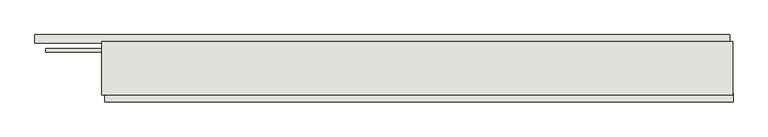
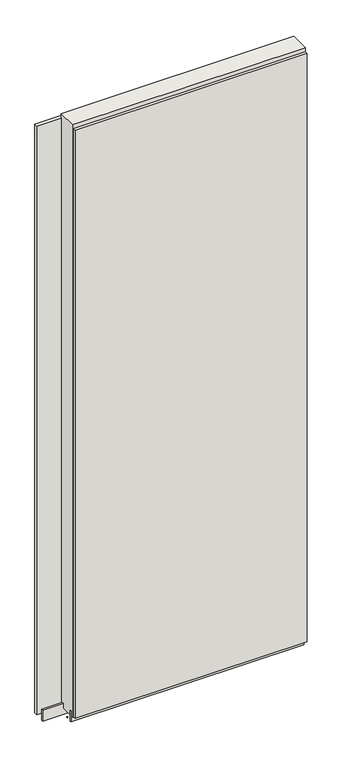
"""IFC4 building model written with IfcOpenShell, lengths in millimetres: wall geometry."""

from ifc_helpers import new_model, si_unit, frame, origin, place, context, project, spatial, polyline, outline, extrude, source, transform, mapped, element, save


def wall_d8fe1de9(model_context):
    return source(origin(), model_context, "Body", "SweptSolid", [
        extrude(outline(polyline([(45933.4493064, -39417.1245692), (45930.9093064, -39417.1245692), (45930.9093064, -39414.5845692), (45933.4493064, -39414.5845692), (45933.4493064, -39417.1245692)])), frame((0.0, 0.0, 4419.6), z_axis=(0.0, 0.0, 1.0), x_axis=(1.0, 0.0, 0.0)), (0.0, 0.0, 1.0), 2.54),
        extrude(outline(polyline([(45829.596682, -39365.0545692), (46880.180052, -39365.0545692), (46880.180052, -39377.7545692), (45829.596682, -39377.7545692), (45829.596682, -39365.0545692)])), frame((0.0, 0.0, 4445.0), z_axis=(0.0, 0.0, 1.0), x_axis=(1.0, 0.0, 0.0)), (0.0, 0.0, 1.0), 2545.0498756),
        extrude(outline(polyline([(46885.1098618, -39466.6545692), (45935.3764298, -39466.6545692), (45935.3764298, -39453.9545692), (46885.1098618, -39453.9545692), (46885.1098618, -39466.6545692)])), frame((0.0, 0.0, 4445.0), z_axis=(0.0, 0.0, 1.0), x_axis=(1.0, 0.0, 0.0)), (0.0, 0.0, 1.0), 2545.0498756),
        extrude(outline(polyline([(46884.6420954, -39390.7770222), (45845.8310666, -39390.7770222), (45845.8310666, -39385.6982668), (46884.6420954, -39385.6982668), (46884.6420954, -39390.7770222)])), frame((0.0, 0.0, 4418.6602), z_axis=(0.0, 0.0, 1.0), x_axis=(1.0, 0.0, 0.0)), (0.0, 0.0, 1.0), 47.625),
        extrude(outline(polyline([(46884.6420954, -39390.7770222), (45845.8310666, -39390.7770222), (45845.8310666, -39385.6982668), (46884.6420954, -39385.6982668), (46884.6420954, -39390.7770222)])), frame((0.0, 0.0, 4418.6602), z_axis=(0.0, 0.0, 1.0), x_axis=(1.0, 0.0, 0.0)), (0.0, 0.0, 1.0), 47.625),
        extrude(outline(polyline([(45930.920457, -39440.9414126), (46884.6420954, -39440.9414126), (46884.6420954, -39446.0232668), (45930.920457, -39446.0232668), (45930.920457, -39440.9414126)])), frame((0.0, 0.0, 4418.6602), z_axis=(0.0, 0.0, 1.0), x_axis=(1.0, 0.0, 0.0)), (0.0, 0.0, 1.0), 47.625),
        extrude(outline(polyline([(45930.920457, -39440.9414126), (46884.6420954, -39440.9414126), (46884.6420954, -39446.0232668), (45930.920457, -39446.0232668), (45930.920457, -39440.9414126)])), frame((0.0, 0.0, 4418.6602), z_axis=(0.0, 0.0, 1.0), x_axis=(1.0, 0.0, 0.0)), (0.0, 0.0, 1.0), 47.625),
        extrude(outline(polyline([(46884.6420954, -39375.2058824), (46884.6420954, -39456.4877366), (45930.920457, -39456.4877366), (45930.920457, -39375.2058824), (46884.6420954, -39375.2058824)])), frame((0.0, 0.0, 4445.0), z_axis=(0.0, 0.0, 1.0), x_axis=(1.0, 0.0, 0.0)), (0.0, 0.0, 1.0), 2562.4536762),
    ])


if __name__ == "__main__":
    model = new_model("IFC4")
    model_context = context("Model", 3, world=origin())
    ifc_project = project(units=[si_unit("LENGTHUNIT", "METRE", prefix="MILLI")], contexts=[model_context])
    site = spatial("IfcSite", under=ifc_project)
    building = spatial("IfcBuilding", under=site)
    placement = place(None, origin())
    wall_shape = wall_d8fe1de9(model_context)
    element("IfcWall", 1, at=placement, inside=building, context=model_context, shape_type="MappedRepresentation", body=[
        mapped(wall_shape, transform((0.0, 0.0, 0.0), x_axis=(1.0, 0.0, 0.0), y_axis=(0.0, 1.0, 0.0), z_axis=(0.0, 0.0, 1.0))),
    ])
    save(model, "model.ifc")
